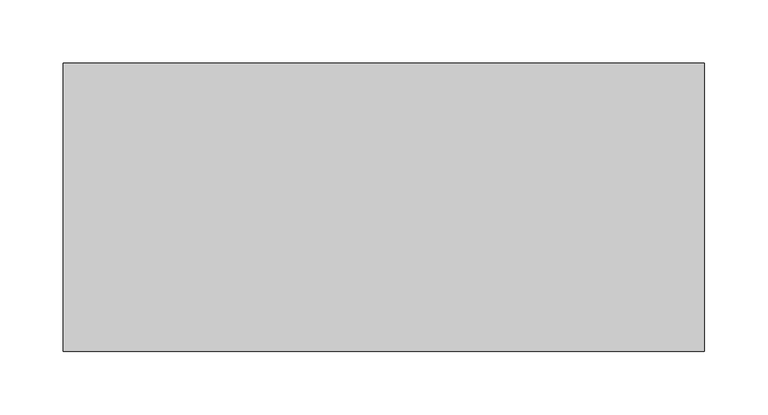
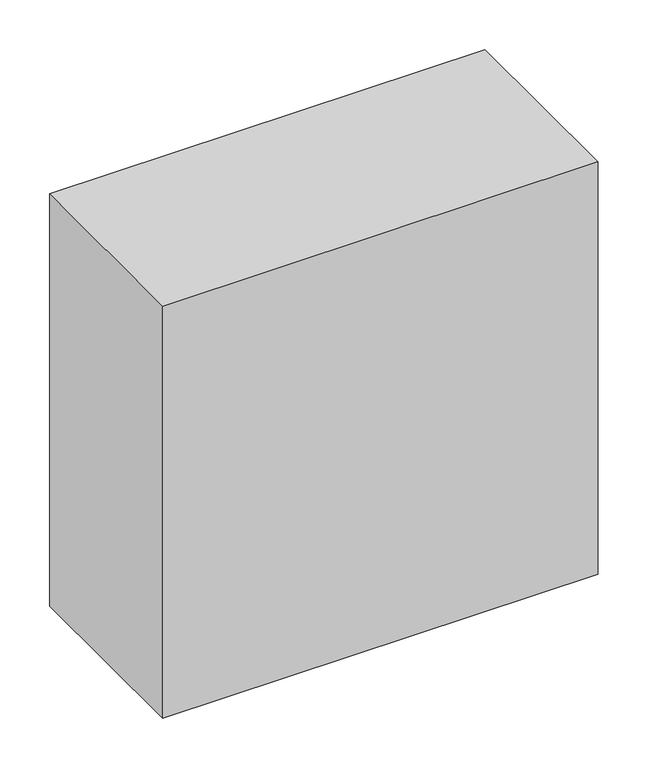
"""IFC4 building model written with IfcOpenShell, lengths in millimetres: proxy geometry."""

from ifc_helpers import new_model, si_unit, frame, origin, place, context, project, spatial, polyline, outline, extrude, source, transform, mapped, element, save


def specialty_equipment_a78b0d23(model_context):
    return source(origin(), model_context, "Body", "SweptSolid", [
        extrude(outline(polyline([(-1757.8839887, 425.5669439), (-1757.8839887, 654.1669439), (-1249.8827187, 654.1669439), (-1249.8827187, 425.5669439), (-1757.8839887, 425.5669439)])), frame((0.0, 0.0, 1270.0), z_axis=(0.0, 0.0, 1.0), x_axis=(1.0, 0.0, 0.0)), (0.0, 0.0, 1.0), 508.0),
    ])


if __name__ == "__main__":
    model = new_model("IFC4")
    model_context = context("Model", 3, world=origin())
    ifc_project = project(units=[si_unit("LENGTHUNIT", "METRE", prefix="MILLI")], contexts=[model_context])
    site = spatial("IfcSite", under=ifc_project)
    building = spatial("IfcBuilding", under=site)
    placement = place(None, origin())
    specialty_equipment_shape = specialty_equipment_a78b0d23(model_context)
    element("IfcBuildingElementProxy", 1, Name="Specialty Equipment", at=placement, inside=building, context=model_context, shape_type="MappedRepresentation", body=[
        mapped(specialty_equipment_shape, transform((0.0, 0.0, 0.0), x_axis=(1.0, 0.0, 0.0), y_axis=(0.0, 1.0, 0.0), z_axis=(0.0, 0.0, 1.0))),
    ])
    save(model, "model.ifc")
